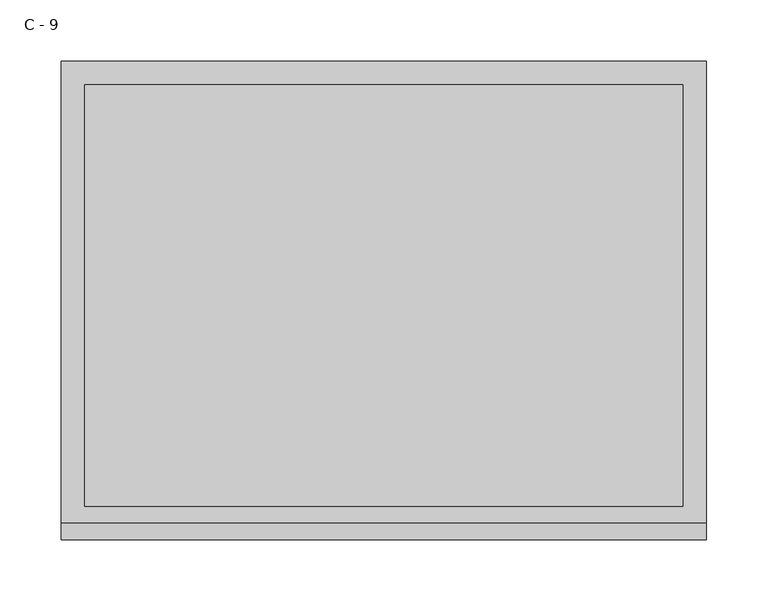
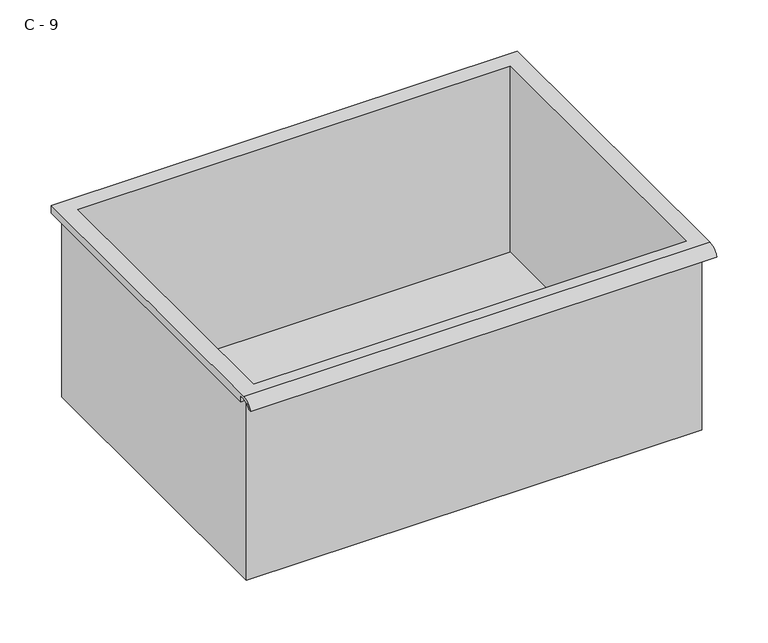
"""IFC4 building model written with IfcOpenShell, lengths in millimetres: furniture geometry, C - 9."""

from ifc_helpers import new_model, si_unit, frame, origin, place, context, project, spatial, polyline, circle_curve, source, transform, mapped, element, save
from ifc_brep_helpers import plane_surface, cylinder_surface, revolved_surface, advanced_brep


def c_9_93329ef2(model_context):
    return source(origin(), model_context, "Body", "AdvancedBrep", [
        advanced_brep(
        [(-257.1076517, -176.2125, 185.85942), (257.2423483, -176.2125, 185.85942), (257.2423483, -176.2125, 401.75942), (263.5923483, -176.2125, 401.75942), (263.5923483, -176.2125, 408.0665541), (-263.4576517, -176.2125, 408.0665541), (-263.4576517, -176.2125, 401.75942), (-257.1076517, -176.2125, 401.75942), (257.2423483, 185.7375, 185.85942), (-257.1076517, 185.7375, 185.85942), (-257.1076517, 185.7375, 401.75942), (257.2423483, 185.7375, 401.75942), (263.5923483, -181.6070544, 411.28442), (263.5923483, 195.2625, 411.28442), (-263.4576517, 195.2625, 411.28442), (-263.4576517, -181.6070544, 411.28442), (244.5423483, -168.275, 411.28442), (-244.4076517, -168.275, 411.28442), (-244.4076517, 176.2125, 411.28442), (244.5423483, 176.2125, 411.28442), (263.5923483, -195.2625, 401.75942), (263.5923483, -191.8280601, 401.75942), (263.5923483, -180.4714815, 408.0665541), (263.5923483, 195.2625, 401.75942), (-263.4576517, 195.2625, 401.75942), (-263.4576517, -180.4714815, 408.0665541), (-263.4576517, -191.8280601, 401.75942), (-263.4576517, -195.2625, 401.75942), (-244.4076517, -168.275, 188.8855919), (244.5423483, -168.275, 188.8855919), (244.5423483, 176.2125, 188.8855919), (-244.4076517, 176.2125, 188.8855919)],
        [
            (0, 1),
            (1, 2),
            (2, 3),
            (3, 4),
            (4, 5),
            (5, 6),
            (6, 7),
            (7, 0),
            (8, 9),
            (9, 10),
            (10, 11),
            (11, 8),
            (0, 9),
            (8, 1),
            (11, 2),
            (12, 13),
            (13, 14),
            (14, 15),
            (15, 12),
            (16, 17),
            (17, 18),
            (18, 19),
            (19, 16),
            (7, 10),
            (12, 20, circle_curve(frame((263.5923483, -181.6070544, 396.7334059), z_axis=(1.0, 0.0, 0.0), x_axis=(0.0, 1.0, 0.0)), 14.5510141)),
            (20, 21),
            (21, 22, circle_curve(frame((263.5923483, -181.6070544, 396.7334059), z_axis=(-1.0, 0.0, 0.0), x_axis=(0.0, 1.0, 0.0)), 11.3898979)),
            (22, 4),
            (3, 23),
            (23, 13),
            (14, 24),
            (24, 6),
            (5, 25),
            (25, 26, circle_curve(frame((-263.4576517, -181.6070544, 396.7334059), z_axis=(1.0, 0.0, 0.0), x_axis=(0.0, 1.0, 0.0)), 11.3898979)),
            (26, 27),
            (27, 15, circle_curve(frame((-263.4576517, -181.6070544, 396.7334059), z_axis=(-1.0, 0.0, 0.0), x_axis=(0.0, 1.0, 0.0)), 14.5510141)),
            (27, 20),
            (26, 21),
            (25, 22),
            (24, 23),
            (28, 29),
            (29, 30),
            (30, 31),
            (31, 28),
            (28, 17),
            (16, 29),
            (19, 30),
            (18, 31),
        ],
        [
            plane_surface(frame((257.2423483, -176.2125, 185.85942), z_axis=(0.0, -1.0, 0.0), x_axis=(1.0, 0.0, 0.0))),
            plane_surface(frame((257.2423483, 185.7375, 185.85942), z_axis=(0.0, 1.0, 0.0), x_axis=(-1.0, 0.0, 0.0))),
            plane_surface(frame((-257.1076517, -176.2125, 185.85942), z_axis=(0.0, 0.0, -1.0), x_axis=(0.0, 1.0, 0.0))),
            plane_surface(frame((257.2423483, -176.2125, 185.85942), z_axis=(1.0, 0.0, 0.0), x_axis=(0.0, 1.0, 0.0))),
            plane_surface(frame((257.2423483, -176.2125, 411.28442), z_axis=(0.0, 0.0, 1.0), x_axis=(0.0, 1.0, 0.0))),
            plane_surface(frame((-257.1076517, -176.2125, 411.28442), z_axis=(-1.0, 0.0, 0.0), x_axis=(0.0, 1.0, 0.0))),
            plane_surface(frame((263.5923483, 195.2625, 411.28442), z_axis=(1.0, 0.0, 0.0), x_axis=(0.0, -1.0, 0.0))),
            plane_surface(frame((-263.4576517, 195.2625, 411.28442), z_axis=(-1.0, 0.0, 0.0), x_axis=(0.0, 1.0, 0.0))),
            cylinder_surface(frame((-263.4576517, -181.6070544, 396.7334059), z_axis=(1.0, 0.0, 0.0), x_axis=(0.0, 1.0, 0.0)), 14.5510141),
            plane_surface(frame((263.5923483, -195.2625, 401.75942), z_axis=(0.0, -7.212409108516109e-12, -1.0), x_axis=(-1.0, 0.0, 0.0))),
            revolved_surface(polyline([(-263.4576517, -170.21715650000002, 396.7334059), (263.59234829999997, -170.21715650000002, 396.7334059)]), (-263.4576517, -181.6070544, 396.7334059), (-1.0, 0.0, 0.0)),
            plane_surface(frame((263.5923483, -180.4714815, 408.0665541), z_axis=(0.0, -1.7813737460981803e-11, -1.0), x_axis=(-1.0, 0.0, 0.0))),
            plane_surface(frame((263.5923483, -176.2125, 401.75942), z_axis=(0.0, 0.0, -1.0), x_axis=(-1.0, 0.0, 0.0))),
            plane_surface(frame((263.5923483, 195.2625, 401.75942), z_axis=(0.0, 1.0, 0.0), x_axis=(-1.0, 0.0, 0.0))),
            plane_surface(frame((244.5423483, -168.275, 188.8855919), z_axis=(0.0, 0.0, 1.0), x_axis=(-1.0, 0.0, 0.0))),
            plane_surface(frame((-244.4076517, -168.275, 411.28442), z_axis=(0.0, 1.0, 0.0), x_axis=(0.0, 0.0, -1.0))),
            plane_surface(frame((244.5423483, -168.275, 411.28442), z_axis=(-1.0, 0.0, 0.0), x_axis=(0.0, 0.0, -1.0))),
            plane_surface(frame((244.5423483, 176.2125, 411.28442), z_axis=(0.0, -1.0, 0.0), x_axis=(0.0, 0.0, -1.0))),
            plane_surface(frame((-244.4076517, 176.2125, 411.28442), z_axis=(1.0, 0.0, 0.0), x_axis=(0.0, 0.0, -1.0))),
        ],
        [
            (0, [[1, 2, 3, 4, 5, 6, 7, 8]]),
            (1, [[9, 10, 11, 12]]),
            (2, [[-1, 13, -9, 14]]),
            (3, [[-14, -12, 15, -2]]),
            (4, [[16, 17, 18, 19], [20, 21, 22, 23]]),
            (5, [[-13, -8, 24, -10]]),
            (6, [[-16, 25, 26, 27, 28, -4, 29, 30]]),
            (7, [[31, 32, -6, 33, 34, 35, 36, -18]]),
            (8, [[-25, -19, -36, 37]]),
            (9, [[-26, -37, -35, 38]]),
            (10, [[-27, -38, -34, 39]]),
            (11, [[-28, -39, -33, -5]]),
            (12, [[-29, -3, -15, -11, -24, -7, -32, 40]]),
            (13, [[-30, -40, -31, -17]]),
            (14, [[41, 42, 43, 44]]),
            (15, [[-41, 45, -20, 46]]),
            (16, [[-42, -46, -23, 47]]),
            (17, [[-43, -47, -22, 48]]),
            (18, [[-44, -48, -21, -45]]),
        ],
    ),
    ])


if __name__ == "__main__":
    model = new_model("IFC4")
    model_context = context("Model", 3, world=origin())
    ifc_project = project(units=[si_unit("LENGTHUNIT", "METRE", prefix="MILLI")], contexts=[model_context])
    site = spatial("IfcSite", under=ifc_project)
    building = spatial("IfcBuilding", under=site)
    placement = place(None, origin())
    c_9_shape = c_9_93329ef2(model_context)
    element("IfcFurniture", 1, ObjectType="C - 9", at=placement, inside=building, context=model_context, shape_type="MappedRepresentation", body=[
        mapped(c_9_shape, transform((0.0, 0.0, 0.0), x_axis=(1.0, 0.0, 0.0), y_axis=(0.0, 1.0, 0.0), z_axis=(0.0, 0.0, 1.0))),
    ])
    save(model, "model.ifc")
